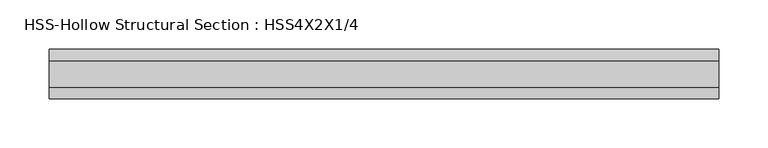
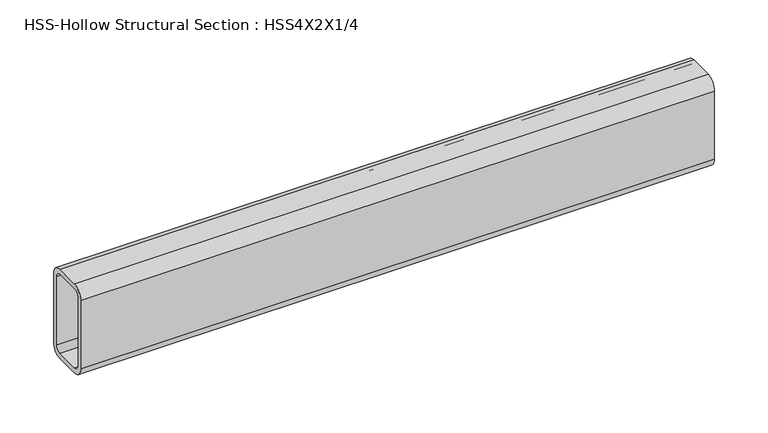
"""IFC4 building model written with IfcOpenShell, lengths in millimetres: beam geometry, HSS-Hollow Structural Section : HSS4X2X1/4."""

import ifcopenshell
import ifcopenshell.guid

model = None  # the IFC model being written
_history = None  # IfcOwnerHistory: only IFC2X3 demands one
_inside = {}  # id of a spatial element -> (the spatial element, [elements in it])
_under = {}  # id of a project, library or spatial element -> (it, [spatial elements below it])
_declared = {}  # id of a project -> (the project, [libraries it declares])
_typed = {}  # id of a type object -> (the type object, [elements of that type])
_made_of = {}  # id of a material, layer set ... -> (it, [elements and type objects made of it])


def new_model(schema):
    """Start an empty IFC model of exactly this schema.

    Asked for "IFC4X3", IfcOpenShell would pick the latest addendum, in which some entities
    have other attributes; the version numbers below select the first issue.
    IFC2X3 requires an IfcOwnerHistory on every rooted entity: one is made here for all.
    """
    global model, _history
    if schema == "IFC4X3":
        model = ifcopenshell.file(schema_version=(4, 3, 0, 0))
    else:
        model = ifcopenshell.file(schema=schema)
    _inside.clear()
    _under.clear()
    _declared.clear()
    _typed.clear()
    _made_of.clear()
    _history = None
    if model.schema == "IFC2X3":
        org = make("IfcOrganization", Name="unknown")
        user = make(
            "IfcPersonAndOrganization",
            ThePerson=make("IfcPerson", FamilyName="unknown"),
            TheOrganization=org,
        )
        app = make(
            "IfcApplication",
            ApplicationDeveloper=org,
            Version="unknown",
            ApplicationFullName="unknown",
            ApplicationIdentifier="unknown",
        )
        _history = make(
            "IfcOwnerHistory",
            OwningUser=user,
            OwningApplication=app,
            ChangeAction="ADDED",
            CreationDate=0,
        )
    return model


def make(cls, **values):
    """One entity of the class cls with the attributes given. An attribute that is None is left unset."""
    return model.create_entity(
        cls, **{name: value for name, value in values.items() if value is not None}
    )


def rooted(cls, **values):
    """An entity with a GlobalId (a new one), such as an element, a storey or a relation."""
    return make(cls, GlobalId=ifcopenshell.guid.new(), OwnerHistory=_history, **values)


def si_unit(unit_type, name, prefix=None):
    """IfcSIUnit, for example si_unit("LENGTHUNIT", "METRE", prefix="MILLI")."""
    return make("IfcSIUnit", UnitType=unit_type, Prefix=prefix, Name=name)


def assignment(units):
    """IfcUnitAssignment: the units of a project."""
    return None if units is None else make("IfcUnitAssignment", Units=units)


def point(xyz):
    """IfcCartesianPoint."""
    return None if xyz is None else make("IfcCartesianPoint", Coordinates=xyz)


def direction(xyz):
    """IfcDirection."""
    return None if xyz is None else make("IfcDirection", DirectionRatios=xyz)


def frame(location, z_axis=None, x_axis=None):
    """IfcAxis2Placement3D, a coordinate frame: its origin and axes. An axis left out is left unset."""
    return make(
        "IfcAxis2Placement3D",
        Location=point(location),
        Axis=direction(z_axis),
        RefDirection=direction(x_axis),
    )


def frame_2d(location, x_axis=None):
    """IfcAxis2Placement2D, a coordinate frame in the plane: its origin and x axis."""
    return make(
        "IfcAxis2Placement2D", Location=point(location), RefDirection=direction(x_axis)
    )


def origin():
    """The frame at (0, 0, 0) with its axes left unset."""
    return frame((0.0, 0.0, 0.0))


def place(relative_to, where):
    """IfcLocalPlacement: puts the frame where relative to a parent placement (None: the world)."""
    return make(
        "IfcLocalPlacement", PlacementRelTo=relative_to, RelativePlacement=where
    )


def context(
    kind, dimensions, precision=None, world=None, true_north=None, identifier=None
):
    """IfcGeometricRepresentationContext, for example the 3D "Model" context."""
    return make(
        "IfcGeometricRepresentationContext",
        ContextIdentifier=identifier,
        ContextType=kind,
        CoordinateSpaceDimension=dimensions,
        Precision=precision,
        WorldCoordinateSystem=world,
        TrueNorth=true_north,
    )


def project(units=None, contexts=None):
    """IfcProject with its units and contexts."""
    return rooted(
        "IfcProject",
        Name="project",
        RepresentationContexts=contexts,
        UnitsInContext=assignment(units),
    )


def spatial(cls, under=None, at=None, **own):
    """A site, building, storey or space (cls), placed at a placement, below another one or the project."""
    s = rooted(cls, ObjectPlacement=at, **own)
    if under is not None:
        _under.setdefault(under.id(), (under, []))[1].append(s)
    return s


def polyline(points):
    """IfcPolyline through the points."""
    return make("IfcPolyline", Points=[point(p) for p in points])


def circle_curve(where, radius):
    """IfcCircle in the frame where."""
    return make("IfcCircle", Position=where, Radius=radius)


def trimmed(basis, trim1, trim2, sense, master):
    """IfcTrimmedCurve: the piece of a basis curve between two trims."""
    return make(
        "IfcTrimmedCurve",
        BasisCurve=basis,
        Trim1=trim1,
        Trim2=trim2,
        SenseAgreement=sense,
        MasterRepresentation=master,
    )


def segment(curve, same_sense, transition):
    """IfcCompositeCurveSegment."""
    return make(
        "IfcCompositeCurveSegment",
        Transition=transition,
        SameSense=same_sense,
        ParentCurve=curve,
    )


def composite_curve(segments, self_intersect=None):
    """IfcCompositeCurve: segments joined end to end."""
    return make("IfcCompositeCurve", Segments=segments, SelfIntersect=self_intersect)


def outline(outer, holes=None, kind="AREA"):
    """IfcArbitraryClosedProfileDef: a profile drawn as a closed curve; with holes, ...WithVoids."""
    if holes is None:
        return make("IfcArbitraryClosedProfileDef", ProfileType=kind, OuterCurve=outer)
    return make(
        "IfcArbitraryProfileDefWithVoids",
        ProfileType=kind,
        OuterCurve=outer,
        InnerCurves=holes,
    )


def extrude(swept, where, along, depth):
    """IfcExtrudedAreaSolid: the profile swept, set in the frame where, extruded along a direction by depth."""
    return make(
        "IfcExtrudedAreaSolid",
        SweptArea=swept,
        Position=where,
        ExtrudedDirection=direction(along),
        Depth=depth,
    )


def shape(context_of_items, identifier, shape_type, items):
    """IfcShapeRepresentation: the items that make up one representation, for example the "Body"."""
    return make(
        "IfcShapeRepresentation",
        ContextOfItems=context_of_items,
        RepresentationIdentifier=identifier,
        RepresentationType=shape_type,
        Items=items,
    )


def source(mapping_origin, context_of_items, identifier, shape_type, items):
    """IfcRepresentationMap: a shape defined once, which mapped items show again and again."""
    return make(
        "IfcRepresentationMap",
        MappingOrigin=mapping_origin,
        MappedRepresentation=shape(context_of_items, identifier, shape_type, items),
    )


def transform(
    local_origin,
    x_axis=None,
    y_axis=None,
    z_axis=None,
    scale=None,
    scale2=None,
    scale3=None,
    uniform=True,
):
    """IfcCartesianTransformationOperator3D, or its non-uniform kind. x_axis, y_axis, z_axis: its Axis1, 2, 3."""
    if uniform:
        return make(
            "IfcCartesianTransformationOperator3D",
            Axis1=direction(x_axis),
            Axis2=direction(y_axis),
            LocalOrigin=point(local_origin),
            Scale=scale,
            Axis3=direction(z_axis),
        )
    return make(
        "IfcCartesianTransformationOperator3DnonUniform",
        Axis1=direction(x_axis),
        Axis2=direction(y_axis),
        LocalOrigin=point(local_origin),
        Scale=scale,
        Axis3=direction(z_axis),
        Scale2=scale2,
        Scale3=scale3,
    )


def mapped(mapping_source, mapping_target):
    """IfcMappedItem: shows the shape of a source again, moved by a transform."""
    return make(
        "IfcMappedItem", MappingSource=mapping_source, MappingTarget=mapping_target
    )


def made_of(thing, what):
    """Note that an element or type object is made of a material, layer set ...; save() writes the relation."""
    if what is not None:
        _made_of.setdefault(what.id(), (what, []))[1].append(thing)
    return thing


def element(
    cls,
    number,
    at=None,
    inside=None,
    cuts=None,
    type_object=None,
    material=None,
    context=None,
    identifier="Body",
    shape_type=None,
    held_by="IfcProductDefinitionShape",
    body=None,
    shapes=None,
    **own,
):
    """One element of the class cls, such as IfcWall. Its Tag is "e" and its number.

    at: its placement. inside: the storey or other place that contains it. cuts: it is an
    opening in that element (IfcRelVoidsElement). A single representation is given by context,
    identifier, shape_type and body (its items); several are given by shapes. held_by: the class
    of the entity that holds the representations. save() writes the other relations.
    """
    e = rooted(cls, Tag="e%d" % number, ObjectPlacement=at, **own)
    if body is not None:
        shapes = [shape(context, identifier, shape_type, body)]
    if shapes is not None:
        e.Representation = make(held_by, Representations=shapes)
    if inside is not None:
        _inside.setdefault(inside.id(), (inside, []))[1].append(e)
    if cuts is not None:
        rooted(
            "IfcRelVoidsElement", RelatingBuildingElement=cuts, RelatedOpeningElement=e
        )
    if type_object is not None:
        _typed.setdefault(type_object.id(), (type_object, []))[1].append(e)
    return made_of(e, material)


def aggregate(whole, parts):
    """IfcRelAggregates: a whole, such as a stair, and the parts it consists of."""
    return rooted("IfcRelAggregates", RelatingObject=whole, RelatedObjects=parts)


def save(model, path):
    """Write the relations noted so far, then the file.

    IfcRelAggregates (storeys below a building ...), IfcRelContainedInSpatialStructure (elements
    in a storey), IfcRelDefinesByType, IfcRelAssociatesMaterial and IfcRelDeclares: one each for
    every whole, place, type object, material and project.
    """
    for whole, parts in _under.values():
        aggregate(whole, parts)
    for where, things in _inside.values():
        rooted(
            "IfcRelContainedInSpatialStructure",
            RelatedElements=things,
            RelatingStructure=where,
        )
    for kind, things in _typed.values():
        rooted("IfcRelDefinesByType", RelatedObjects=things, RelatingType=kind)
    for what, things in _made_of.values():
        rooted("IfcRelAssociatesMaterial", RelatedObjects=things, RelatingMaterial=what)
    for by, libraries in _declared.values():
        rooted("IfcRelDeclares", RelatingContext=by, RelatedDefinitions=libraries)
    model.write(path)


def hss_hollow_structural_section_hss4x2x1_4_effc6b02(model_context):
    return source(origin(), model_context, "Body", "SweptSolid", [
        extrude(outline(composite_curve([segment(polyline([(25.4, 38.9636), (25.4, -38.9636)]), True, "CONTINUOUS"), segment(trimmed(circle_curve(frame_2d((13.5636, -38.9636)), 11.8364), [point((25.4, -38.9636))], [point((13.5636, -50.8))], False, "CARTESIAN"), True, "CONTINUOUS"), segment(polyline([(13.5636, -50.8), (-13.5636, -50.8)]), True, "CONTINUOUS"), segment(trimmed(circle_curve(frame_2d((-13.5636, -38.9636)), 11.8364), [point((-13.5636, -50.8))], [point((-25.4, -38.9636))], False, "CARTESIAN"), True, "CONTINUOUS"), segment(polyline([(-25.4, -38.9636), (-25.4, 38.9636)]), True, "CONTINUOUS"), segment(trimmed(circle_curve(frame_2d((-13.5636, 38.9636)), 11.8364), [point((-25.4, 38.9636))], [point((-13.5636, 50.8))], False, "CARTESIAN"), True, "CONTINUOUS"), segment(polyline([(-13.5636, 50.8), (13.5636, 50.8)]), True, "CONTINUOUS"), segment(trimmed(circle_curve(frame_2d((13.5636, 38.9636)), 11.8364), [point((13.5636, 50.8))], [point((25.4, 38.9636))], False, "CARTESIAN"), True, "CONTINUOUS")], self_intersect=False), holes=[composite_curve([segment(trimmed(circle_curve(frame_2d((-13.5636, 38.9636)), 5.9182), [point((-13.5636, 44.8818))], [point((-19.4818, 38.9636))], True, "CARTESIAN"), True, "CONTINUOUS"), segment(polyline([(-19.4818, 38.9636), (-19.4818, -38.9636)]), True, "CONTINUOUS"), segment(trimmed(circle_curve(frame_2d((-13.5636, -38.9636)), 5.9182), [point((-19.4818, -38.9636))], [point((-13.5636, -44.8818))], True, "CARTESIAN"), True, "CONTINUOUS"), segment(polyline([(-13.5636, -44.8818), (13.5636, -44.8818)]), True, "CONTINUOUS"), segment(trimmed(circle_curve(frame_2d((13.5636, -38.9636)), 5.9182), [point((13.5636, -44.8818))], [point((19.4818, -38.9636))], True, "CARTESIAN"), True, "CONTINUOUS"), segment(polyline([(19.4818, -38.9636), (19.4818, 38.9636)]), True, "CONTINUOUS"), segment(trimmed(circle_curve(frame_2d((13.5636, 38.9636)), 5.9182), [point((19.4818, 38.9636))], [point((13.5636, 44.8818))], True, "CARTESIAN"), True, "CONTINUOUS"), segment(polyline([(13.5636, 44.8818), (-13.5636, 44.8818)]), True, "CONTINUOUS")], self_intersect=False)]), frame((-342.9, 0.0, 0.0), z_axis=(1.0, 0.0, 0.0), x_axis=(0.0, 1.0, 0.0)), (0.0, 0.0, 1.0), 682.6981419),
    ])


if __name__ == "__main__":
    model = new_model("IFC4")
    model_context = context("Model", 3, world=origin())
    ifc_project = project(units=[si_unit("LENGTHUNIT", "METRE", prefix="MILLI")], contexts=[model_context])
    site = spatial("IfcSite", under=ifc_project)
    building = spatial("IfcBuilding", under=site)
    placement = place(None, origin())
    hss_hollow_structural_section_hss4x2x1_4_shape = hss_hollow_structural_section_hss4x2x1_4_effc6b02(model_context)
    element("IfcBeam", 1, ObjectType="HSS-Hollow Structural Section : HSS4X2X1/4", at=placement, inside=building, context=model_context, shape_type="MappedRepresentation", body=[
        mapped(hss_hollow_structural_section_hss4x2x1_4_shape, transform((0.0, 0.0, 0.0), x_axis=(1.0, 0.0, 0.0), y_axis=(0.0, 1.0, 0.0), z_axis=(0.0, 0.0, 1.0))),
    ])
    save(model, "model.ifc")
